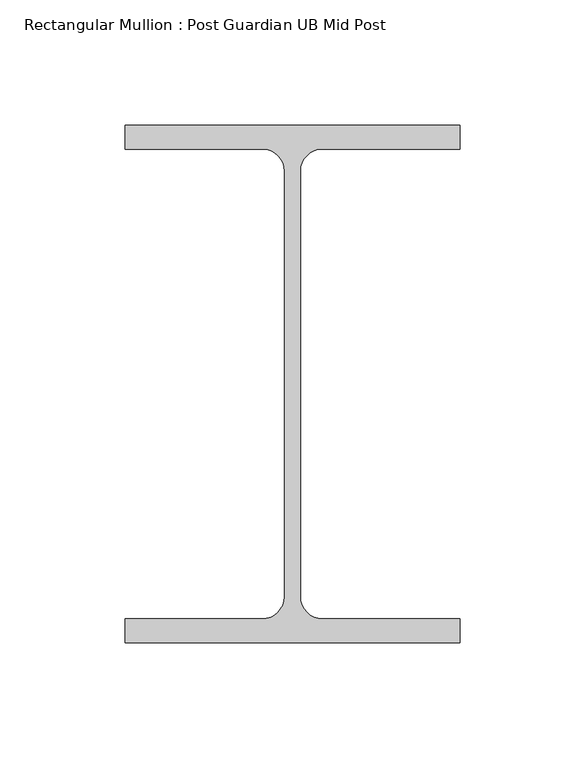
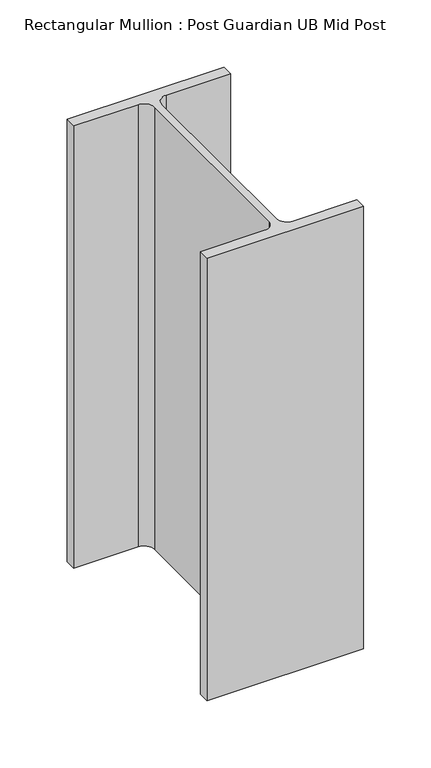
"""IFC4 building model written with IfcOpenShell, lengths in millimetres: member geometry, Rectangular Mullion : Post Guardian UB Mid Post."""

from ifc_helpers import new_model, si_unit, point, frame, frame_2d, origin, place, context, project, spatial, polyline, circle_curve, trimmed, segment, composite_curve, outline, extrude, source, transform, mapped, element, save


def rectangular_mullion_post_guardian_ub_mid_post_182e72f5(model_context):
    return source(origin(), model_context, "Body", "SweptSolid", [
        extrude(outline(composite_curve([segment(polyline([(3.15, 85.0000066), (3.15, -85.0000066)]), True, "CONTINUOUS"), segment(trimmed(circle_curve(frame_2d((12.0499934, -85.0000066)), 8.8999934), [point((3.15, -85.0000066))], [point((12.0499934, -93.9))], True, "CARTESIAN"), True, "CONTINUOUS"), segment(polyline([(12.0499934, -93.9), (67.0, -93.9), (67.0, -103.5), (-67.0, -103.5), (-67.0, -93.9), (-12.0499934, -93.9)]), True, "CONTINUOUS"), segment(trimmed(circle_curve(frame_2d((-12.0499934, -85.0000066)), 8.8999934), [point((-12.0499934, -93.9))], [point((-3.15, -85.0000066))], True, "CARTESIAN"), True, "CONTINUOUS"), segment(polyline([(-3.15, -85.0000066), (-3.15, 85.0000066)]), True, "CONTINUOUS"), segment(trimmed(circle_curve(frame_2d((-12.0499934, 85.0000066)), 8.8999934), [point((-3.15, 85.0000066))], [point((-12.0499934, 93.9))], True, "CARTESIAN"), True, "CONTINUOUS"), segment(polyline([(-12.0499934, 93.9), (-67.0, 93.9), (-67.0, 103.5), (67.0, 103.5), (67.0, 93.9), (12.0499934, 93.9)]), True, "CONTINUOUS"), segment(trimmed(circle_curve(frame_2d((12.0499934, 85.0000066)), 8.8999934), [point((12.0499934, 93.9))], [point((3.15, 85.0000066))], True, "CARTESIAN"), True, "CONTINUOUS")], self_intersect=False)), frame((0.0, 0.0, -400.0), z_axis=(0.0, 0.0, 1.0), x_axis=(1.0, 0.0, 0.0)), (0.0, 0.0, 1.0), 400.0),
    ])


if __name__ == "__main__":
    model = new_model("IFC4")
    model_context = context("Model", 3, world=origin())
    ifc_project = project(units=[si_unit("LENGTHUNIT", "METRE", prefix="MILLI")], contexts=[model_context])
    site = spatial("IfcSite", under=ifc_project)
    building = spatial("IfcBuilding", under=site)
    placement = place(None, origin())
    rectangular_mullion_post_guardian_ub_mid_post_shape = rectangular_mullion_post_guardian_ub_mid_post_182e72f5(model_context)
    element("IfcMember", 1, ObjectType="Rectangular Mullion : Post Guardian UB Mid Post", at=placement, inside=building, context=model_context, shape_type="MappedRepresentation", body=[
        mapped(rectangular_mullion_post_guardian_ub_mid_post_shape, transform((0.0, 0.0, 0.0), x_axis=(1.0, 0.0, 0.0), y_axis=(0.0, 1.0, 0.0), z_axis=(0.0, 0.0, 1.0))),
    ])
    save(model, "model.ifc")
